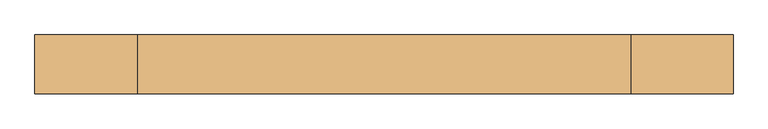
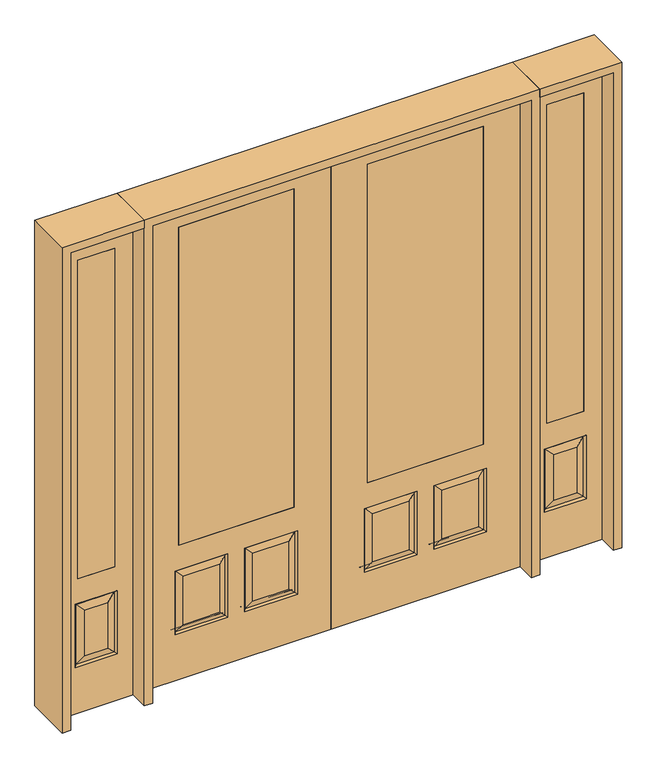
"""IFC4 building model written with IfcOpenShell, lengths in millimetres: door geometry."""

import ifcopenshell
import ifcopenshell.guid

model = None  # the IFC model being written
_history = None  # IfcOwnerHistory: only IFC2X3 demands one
_inside = {}  # id of a spatial element -> (the spatial element, [elements in it])
_under = {}  # id of a project, library or spatial element -> (it, [spatial elements below it])
_declared = {}  # id of a project -> (the project, [libraries it declares])
_typed = {}  # id of a type object -> (the type object, [elements of that type])
_made_of = {}  # id of a material, layer set ... -> (it, [elements and type objects made of it])


def new_model(schema):
    """Start an empty IFC model of exactly this schema.

    Asked for "IFC4X3", IfcOpenShell would pick the latest addendum, in which some entities
    have other attributes; the version numbers below select the first issue.
    IFC2X3 requires an IfcOwnerHistory on every rooted entity: one is made here for all.
    """
    global model, _history
    if schema == "IFC4X3":
        model = ifcopenshell.file(schema_version=(4, 3, 0, 0))
    else:
        model = ifcopenshell.file(schema=schema)
    _inside.clear()
    _under.clear()
    _declared.clear()
    _typed.clear()
    _made_of.clear()
    _history = None
    if model.schema == "IFC2X3":
        org = make("IfcOrganization", Name="unknown")
        user = make(
            "IfcPersonAndOrganization",
            ThePerson=make("IfcPerson", FamilyName="unknown"),
            TheOrganization=org,
        )
        app = make(
            "IfcApplication",
            ApplicationDeveloper=org,
            Version="unknown",
            ApplicationFullName="unknown",
            ApplicationIdentifier="unknown",
        )
        _history = make(
            "IfcOwnerHistory",
            OwningUser=user,
            OwningApplication=app,
            ChangeAction="ADDED",
            CreationDate=0,
        )
    return model


def make(cls, **values):
    """One entity of the class cls with the attributes given. An attribute that is None is left unset."""
    return model.create_entity(
        cls, **{name: value for name, value in values.items() if value is not None}
    )


def rooted(cls, **values):
    """An entity with a GlobalId (a new one), such as an element, a storey or a relation."""
    return make(cls, GlobalId=ifcopenshell.guid.new(), OwnerHistory=_history, **values)


def si_unit(unit_type, name, prefix=None):
    """IfcSIUnit, for example si_unit("LENGTHUNIT", "METRE", prefix="MILLI")."""
    return make("IfcSIUnit", UnitType=unit_type, Prefix=prefix, Name=name)


def assignment(units):
    """IfcUnitAssignment: the units of a project."""
    return None if units is None else make("IfcUnitAssignment", Units=units)


def point(xyz):
    """IfcCartesianPoint."""
    return None if xyz is None else make("IfcCartesianPoint", Coordinates=xyz)


def direction(xyz):
    """IfcDirection."""
    return None if xyz is None else make("IfcDirection", DirectionRatios=xyz)


def frame(location, z_axis=None, x_axis=None):
    """IfcAxis2Placement3D, a coordinate frame: its origin and axes. An axis left out is left unset."""
    return make(
        "IfcAxis2Placement3D",
        Location=point(location),
        Axis=direction(z_axis),
        RefDirection=direction(x_axis),
    )


def origin():
    """The frame at (0, 0, 0) with its axes left unset."""
    return frame((0.0, 0.0, 0.0))


def place(relative_to, where):
    """IfcLocalPlacement: puts the frame where relative to a parent placement (None: the world)."""
    return make(
        "IfcLocalPlacement", PlacementRelTo=relative_to, RelativePlacement=where
    )


def context(
    kind, dimensions, precision=None, world=None, true_north=None, identifier=None
):
    """IfcGeometricRepresentationContext, for example the 3D "Model" context."""
    return make(
        "IfcGeometricRepresentationContext",
        ContextIdentifier=identifier,
        ContextType=kind,
        CoordinateSpaceDimension=dimensions,
        Precision=precision,
        WorldCoordinateSystem=world,
        TrueNorth=true_north,
    )


def project(units=None, contexts=None):
    """IfcProject with its units and contexts."""
    return rooted(
        "IfcProject",
        Name="project",
        RepresentationContexts=contexts,
        UnitsInContext=assignment(units),
    )


def spatial(cls, under=None, at=None, **own):
    """A site, building, storey or space (cls), placed at a placement, below another one or the project."""
    s = rooted(cls, ObjectPlacement=at, **own)
    if under is not None:
        _under.setdefault(under.id(), (under, []))[1].append(s)
    return s


def polyline(points):
    """IfcPolyline through the points."""
    return make("IfcPolyline", Points=[point(p) for p in points])


def outline(outer, holes=None, kind="AREA"):
    """IfcArbitraryClosedProfileDef: a profile drawn as a closed curve; with holes, ...WithVoids."""
    if holes is None:
        return make("IfcArbitraryClosedProfileDef", ProfileType=kind, OuterCurve=outer)
    return make(
        "IfcArbitraryProfileDefWithVoids",
        ProfileType=kind,
        OuterCurve=outer,
        InnerCurves=holes,
    )


def extrude(swept, where, along, depth):
    """IfcExtrudedAreaSolid: the profile swept, set in the frame where, extruded along a direction by depth."""
    return make(
        "IfcExtrudedAreaSolid",
        SweptArea=swept,
        Position=where,
        ExtrudedDirection=direction(along),
        Depth=depth,
    )


def faces_of(points, faces, orient=None, outer=None):
    """IfcFace entities. A face is a list of loops; a loop is a list of indices into points, from 0.

    orient and outer hold one flag for each loop. By default every Orientation is true, the
    first loop of a face is its IfcFaceOuterBound and the others are IfcFaceBound.
    """
    made = []
    for i, loops in enumerate(faces):
        bounds = []
        for j, loop in enumerate(loops):
            is_outer = j == 0 if outer is None else outer[i][j]
            bounds.append(
                make(
                    "IfcFaceOuterBound" if is_outer else "IfcFaceBound",
                    Bound=make("IfcPolyLoop", Polygon=[points[k] for k in loop]),
                    Orientation=True if orient is None else orient[i][j],
                )
            )
        made.append(make("IfcFace", Bounds=bounds))
    return made


def faceted_brep(points, faces, orient=None, outer=None, voids=None):
    """IfcFacetedBrep: a solid bounded by flat faces; with voids (closed shells), ...WithVoids."""
    shared = [point(p) for p in points]
    hull = make("IfcClosedShell", CfsFaces=faces_of(shared, faces, orient, outer))
    if voids is None:
        return make("IfcFacetedBrep", Outer=hull)
    return make(
        "IfcFacetedBrepWithVoids",
        Outer=hull,
        Voids=[
            make(cls, CfsFaces=faces_of(shared, fs, o, b)) for cls, fs, o, b in voids
        ],
    )


def shape(context_of_items, identifier, shape_type, items):
    """IfcShapeRepresentation: the items that make up one representation, for example the "Body"."""
    return make(
        "IfcShapeRepresentation",
        ContextOfItems=context_of_items,
        RepresentationIdentifier=identifier,
        RepresentationType=shape_type,
        Items=items,
    )


def source(mapping_origin, context_of_items, identifier, shape_type, items):
    """IfcRepresentationMap: a shape defined once, which mapped items show again and again."""
    return make(
        "IfcRepresentationMap",
        MappingOrigin=mapping_origin,
        MappedRepresentation=shape(context_of_items, identifier, shape_type, items),
    )


def transform(
    local_origin,
    x_axis=None,
    y_axis=None,
    z_axis=None,
    scale=None,
    scale2=None,
    scale3=None,
    uniform=True,
):
    """IfcCartesianTransformationOperator3D, or its non-uniform kind. x_axis, y_axis, z_axis: its Axis1, 2, 3."""
    if uniform:
        return make(
            "IfcCartesianTransformationOperator3D",
            Axis1=direction(x_axis),
            Axis2=direction(y_axis),
            LocalOrigin=point(local_origin),
            Scale=scale,
            Axis3=direction(z_axis),
        )
    return make(
        "IfcCartesianTransformationOperator3DnonUniform",
        Axis1=direction(x_axis),
        Axis2=direction(y_axis),
        LocalOrigin=point(local_origin),
        Scale=scale,
        Axis3=direction(z_axis),
        Scale2=scale2,
        Scale3=scale3,
    )


def mapped(mapping_source, mapping_target):
    """IfcMappedItem: shows the shape of a source again, moved by a transform."""
    return make(
        "IfcMappedItem", MappingSource=mapping_source, MappingTarget=mapping_target
    )


def made_of(thing, what):
    """Note that an element or type object is made of a material, layer set ...; save() writes the relation."""
    if what is not None:
        _made_of.setdefault(what.id(), (what, []))[1].append(thing)
    return thing


def element(
    cls,
    number,
    at=None,
    inside=None,
    cuts=None,
    type_object=None,
    material=None,
    context=None,
    identifier="Body",
    shape_type=None,
    held_by="IfcProductDefinitionShape",
    body=None,
    shapes=None,
    **own,
):
    """One element of the class cls, such as IfcWall. Its Tag is "e" and its number.

    at: its placement. inside: the storey or other place that contains it. cuts: it is an
    opening in that element (IfcRelVoidsElement). A single representation is given by context,
    identifier, shape_type and body (its items); several are given by shapes. held_by: the class
    of the entity that holds the representations. save() writes the other relations.
    """
    e = rooted(cls, Tag="e%d" % number, ObjectPlacement=at, **own)
    if body is not None:
        shapes = [shape(context, identifier, shape_type, body)]
    if shapes is not None:
        e.Representation = make(held_by, Representations=shapes)
    if inside is not None:
        _inside.setdefault(inside.id(), (inside, []))[1].append(e)
    if cuts is not None:
        rooted(
            "IfcRelVoidsElement", RelatingBuildingElement=cuts, RelatedOpeningElement=e
        )
    if type_object is not None:
        _typed.setdefault(type_object.id(), (type_object, []))[1].append(e)
    return made_of(e, material)


def aggregate(whole, parts):
    """IfcRelAggregates: a whole, such as a stair, and the parts it consists of."""
    return rooted("IfcRelAggregates", RelatingObject=whole, RelatedObjects=parts)


def save(model, path):
    """Write the relations noted so far, then the file.

    IfcRelAggregates (storeys below a building ...), IfcRelContainedInSpatialStructure (elements
    in a storey), IfcRelDefinesByType, IfcRelAssociatesMaterial and IfcRelDeclares: one each for
    every whole, place, type object, material and project.
    """
    for whole, parts in _under.values():
        aggregate(whole, parts)
    for where, things in _inside.values():
        rooted(
            "IfcRelContainedInSpatialStructure",
            RelatedElements=things,
            RelatingStructure=where,
        )
    for kind, things in _typed.values():
        rooted("IfcRelDefinesByType", RelatedObjects=things, RelatingType=kind)
    for what, things in _made_of.values():
        rooted("IfcRelAssociatesMaterial", RelatedObjects=things, RelatingMaterial=what)
    for by, libraries in _declared.values():
        rooted("IfcRelDeclares", RelatingContext=by, RelatedDefinitions=libraries)
    model.write(path)


def door_b014476f(model_context):
    return source(origin(), model_context, "Body", "SolidModel", [
        extrude(outline(polyline([(1222.375, 20.6375), (1222.375, -20.6375), (1044.575, -20.6375), (1044.575, 20.6375), (1222.375, 20.6375)])), frame((0.0, 0.0, 685.8), z_axis=(0.0, 0.0, 1.0), x_axis=(1.0, 0.0, 0.0)), (0.0, 0.0, 1.0), 1625.6),
        faceted_brep([(955.675, -20.6375, 0.0), (1311.275, -20.6375, 0.0), (1311.275, -20.6375, 2438.4), (955.675, -20.6375, 2438.4), (1044.575, -20.6375, 685.8), (1044.575, -20.6375, 2311.4), (1222.375, -20.6375, 2311.4), (1222.375, -20.6375, 685.8), (1031.875, -20.6375, 234.95), (1031.875, -20.6375, 558.8), (1235.075, -20.6375, 558.8), (1235.075, -20.6375, 234.95), (1189.0375, -20.6375, 280.9875), (1189.0375, -20.6375, 512.7625), (1077.9125, -20.6375, 512.7625), (1077.9125, -20.6375, 280.9875), (1222.375, 20.6375, 2311.4), (1222.375, 20.6375, 685.8), (955.675, 20.6375, 0.0), (955.675, 20.6375, 2438.4), (1311.275, 20.6375, 2438.4), (1311.275, 20.6375, 0.0), (1235.075, 20.6375, 234.95), (1235.075, 20.6375, 558.8), (1031.875, 20.6375, 558.8), (1031.875, 20.6375, 234.95), (1044.575, 20.6375, 2311.4), (1044.575, 20.6375, 685.8), (1077.9125, 20.6375, 280.9875), (1077.9125, 20.6375, 512.7625), (1189.0375, 20.6375, 512.7625), (1189.0375, 20.6375, 280.9875), (1040.8552561, -11.6572439, 549.8197439), (1226.0947439, -11.6572439, 549.8197439), (1226.0947439, 11.6572439, 243.9302561), (1040.8552561, 11.6572439, 243.9302561), (1040.8552561, 11.6572439, 549.8197439), (1226.0947439, 11.6572439, 549.8197439), (1226.0947439, -11.6572439, 243.9302561), (1040.8552561, -11.6572439, 243.9302561)], [[[0, 1, 2, 3], [4, 5, 6, 7], [8, 9, 10, 11]], [[12, 13, 14, 15]], [[7, 6, 16, 17]], [[18, 19, 20, 21], [22, 23, 24, 25], [17, 16, 26, 27]], [[28, 29, 30, 31]], [[32, 33, 10, 9]], [[21, 1, 0, 18]], [[20, 2, 1, 21]], [[18, 0, 3, 19]], [[34, 22, 25, 35]], [[25, 24, 36, 35]], [[24, 23, 37, 36]], [[34, 37, 23, 22]], [[35, 28, 31, 34]], [[31, 30, 37, 34]], [[36, 37, 30, 29]], [[35, 36, 29, 28]], [[17, 27, 4, 7]], [[27, 26, 5, 4]], [[8, 11, 38, 39]], [[11, 10, 33, 38]], [[39, 32, 9, 8]], [[38, 12, 15, 39]], [[15, 14, 32, 39]], [[14, 13, 33, 32]], [[38, 33, 13, 12]], [[19, 3, 2, 20]], [[6, 5, 26, 16]]]),
        extrude(outline(polyline([(-1044.575, 20.6375), (-1044.575, -20.6375), (-1222.375, -20.6375), (-1222.375, 20.6375), (-1044.575, 20.6375)])), frame((0.0, 0.0, 685.8), z_axis=(0.0, 0.0, 1.0), x_axis=(1.0, 0.0, 0.0)), (0.0, 0.0, 1.0), 1625.6),
        faceted_brep([(-1311.275, -20.6375, 0.0), (-955.675, -20.6375, 0.0), (-955.675, -20.6375, 2438.4), (-1311.275, -20.6375, 2438.4), (-1222.375, -20.6375, 685.8), (-1222.375, -20.6375, 2311.4), (-1044.575, -20.6375, 2311.4), (-1044.575, -20.6375, 685.8), (-1235.075, -20.6375, 234.95), (-1235.075, -20.6375, 558.8), (-1031.875, -20.6375, 558.8), (-1031.875, -20.6375, 234.95), (-1077.9125, -20.6375, 280.9875), (-1077.9125, -20.6375, 512.7625), (-1189.0375, -20.6375, 512.7625), (-1189.0375, -20.6375, 280.9875), (-1044.575, 20.6375, 2311.4), (-1044.575, 20.6375, 685.8), (-1311.275, 20.6375, 0.0), (-1311.275, 20.6375, 2438.4), (-955.675, 20.6375, 2438.4), (-955.675, 20.6375, 0.0), (-1031.875, 20.6375, 234.95), (-1031.875, 20.6375, 558.8), (-1235.075, 20.6375, 558.8), (-1235.075, 20.6375, 234.95), (-1222.375, 20.6375, 2311.4), (-1222.375, 20.6375, 685.8), (-1189.0375, 20.6375, 280.9875), (-1189.0375, 20.6375, 512.7625), (-1077.9125, 20.6375, 512.7625), (-1077.9125, 20.6375, 280.9875), (-1226.0947439, -11.6572439, 549.8197439), (-1040.8552561, -11.6572439, 549.8197439), (-1040.8552561, 11.6572439, 243.9302561), (-1226.0947439, 11.6572439, 243.9302561), (-1226.0947439, 11.6572439, 549.8197439), (-1040.8552561, 11.6572439, 549.8197439), (-1040.8552561, -11.6572439, 243.9302561), (-1226.0947439, -11.6572439, 243.9302561)], [[[0, 1, 2, 3], [4, 5, 6, 7], [8, 9, 10, 11]], [[12, 13, 14, 15]], [[7, 6, 16, 17]], [[18, 19, 20, 21], [22, 23, 24, 25], [17, 16, 26, 27]], [[28, 29, 30, 31]], [[32, 33, 10, 9]], [[21, 1, 0, 18]], [[20, 2, 1, 21]], [[18, 0, 3, 19]], [[34, 22, 25, 35]], [[25, 24, 36, 35]], [[24, 23, 37, 36]], [[34, 37, 23, 22]], [[35, 28, 31, 34]], [[31, 30, 37, 34]], [[36, 37, 30, 29]], [[35, 36, 29, 28]], [[17, 27, 4, 7]], [[27, 26, 5, 4]], [[8, 11, 38, 39]], [[11, 10, 33, 38]], [[39, 32, 9, 8]], [[38, 12, 15, 39]], [[15, 14, 32, 39]], [[14, 13, 33, 32]], [[38, 33, 13, 12]], [[19, 3, 2, 20]], [[6, 5, 26, 16]]]),
        faceted_brep([(177.8, -20.6375, 685.8), (177.8, 20.6375, 685.8), (177.8, 20.6375, 2311.4), (177.8, -20.6375, 2311.4), (736.6, -20.6375, 685.8), (736.6, 20.6375, 685.8), (537.3727627, -20.6375, 273.8477627), (713.5772373, -20.6375, 273.8477627), (713.5772373, -20.6375, 520.4102373), (537.3727627, -20.6375, 520.4102373), (200.8227627, -20.6375, 273.8477627), (377.0272373, -20.6375, 273.8477627), (377.0272373, -20.6375, 520.4102373), (200.8227627, -20.6375, 520.4102373), (914.4, -20.6375, 2438.4), (0.0, -20.6375, 2438.4), (0.0, -20.6375, 0.0), (914.4, -20.6375, 0.0), (736.6, -20.6375, 2311.4), (752.475, -20.6375, 234.95), (498.475, -20.6375, 234.95), (498.475, -20.6375, 559.308), (752.475, -20.6375, 559.308), (415.925, -20.6375, 234.95), (161.925, -20.6375, 234.95), (161.925, -20.6375, 559.308), (415.925, -20.6375, 559.308), (736.6, 20.6375, 2311.4), (377.0272373, 20.6375, 273.8477627), (200.8227627, 20.6375, 273.8477627), (200.8227627, 20.6375, 520.4102373), (377.0272373, 20.6375, 520.4102373), (713.5772373, 20.6375, 273.8477627), (537.3727627, 20.6375, 273.8477627), (537.3727627, 20.6375, 520.4102373), (713.5772373, 20.6375, 520.4102373), (0.0, 20.6375, 2438.4), (914.4, 20.6375, 2438.4), (914.4, 20.6375, 0.0), (0.0, 20.6375, 0.0), (161.925, 20.6375, 234.95), (415.925, 20.6375, 234.95), (415.925, 20.6375, 559.308), (161.925, 20.6375, 559.308), (498.475, 20.6375, 234.95), (752.475, 20.6375, 234.95), (752.475, 20.6375, 559.308), (498.475, 20.6375, 559.308), (745.0714647, -11.4399763, 242.3535353), (505.8785353, -11.4399763, 242.3535353), (505.8785353, -11.4399763, 551.9044647), (745.0714647, -11.4399763, 551.9044647), (408.5214647, -11.4399763, 242.3535353), (169.3285353, -11.4399763, 242.3535353), (169.3285353, -11.4399763, 551.9044647), (408.5214647, -11.4399763, 551.9044647), (169.3285353, 11.4399763, 242.3535353), (408.5214647, 11.4399763, 242.3535353), (408.5214647, 11.4399763, 551.9044647), (169.3285353, 11.4399763, 551.9044647), (505.8785353, 11.4399763, 242.3535353), (745.0714647, 11.4399763, 242.3535353), (745.0714647, 11.4399763, 551.9044647), (505.8785353, 11.4399763, 551.9044647)], [[[0, 1, 2, 3]], [[1, 0, 4, 5]], [[6, 7, 8, 9]], [[10, 11, 12, 13]], [[14, 15, 16, 17], [4, 0, 3, 18], [19, 20, 21, 22], [23, 24, 25, 26]], [[5, 4, 18, 27]], [[28, 29, 30, 31]], [[32, 33, 34, 35]], [[36, 37, 38, 39], [1, 5, 27, 2], [40, 41, 42, 43], [44, 45, 46, 47]], [[39, 38, 17, 16]], [[37, 14, 17, 38]], [[15, 36, 39, 16]], [[19, 48, 49, 20]], [[20, 49, 50, 21]], [[51, 22, 21, 50]], [[48, 19, 22, 51]], [[49, 48, 7, 6]], [[7, 48, 51, 8]], [[8, 51, 50, 9]], [[49, 6, 9, 50]], [[52, 53, 24, 23]], [[24, 53, 54, 25]], [[25, 54, 55, 26]], [[52, 23, 26, 55]], [[53, 52, 11, 10]], [[11, 52, 55, 12]], [[54, 13, 12, 55]], [[53, 10, 13, 54]], [[40, 56, 57, 41]], [[41, 57, 58, 42]], [[59, 43, 42, 58]], [[56, 40, 43, 59]], [[57, 56, 29, 28]], [[29, 56, 59, 30]], [[30, 59, 58, 31]], [[57, 28, 31, 58]], [[60, 61, 45, 44]], [[45, 61, 62, 46]], [[46, 62, 63, 47]], [[60, 44, 47, 63]], [[61, 60, 33, 32]], [[33, 60, 63, 34]], [[62, 35, 34, 63]], [[61, 32, 35, 62]], [[3, 2, 27, 18]], [[36, 15, 14, 37]]]),
        extrude(outline(polyline([(177.8, 20.6375), (736.6, 20.6375), (736.6, -20.6375), (177.8, -20.6375), (177.8, 20.6375)])), frame((0.0, 0.0, 685.8), z_axis=(0.0, 0.0, 1.0), x_axis=(1.0, 0.0, 0.0)), (0.0, 0.0, 1.0), 1625.6),
        faceted_brep([(-177.8, -20.6375, 685.8), (-177.8, -20.6375, 2311.4), (-177.8, 20.6375, 2311.4), (-177.8, 20.6375, 685.8), (-736.6, 20.6375, 685.8), (-736.6, -20.6375, 685.8), (-537.3727627, -20.6375, 273.8477627), (-537.3727627, -20.6375, 520.4102373), (-713.5772373, -20.6375, 520.4102373), (-713.5772373, -20.6375, 273.8477627), (-200.8227627, -20.6375, 273.8477627), (-200.8227627, -20.6375, 520.4102373), (-377.0272373, -20.6375, 520.4102373), (-377.0272373, -20.6375, 273.8477627), (-914.4, -20.6375, 2438.4), (-914.4, -20.6375, 0.0), (0.0, -20.6375, 0.0), (0.0, -20.6375, 2438.4), (-736.6, -20.6375, 2311.4), (-752.475, -20.6375, 234.95), (-752.475, -20.6375, 559.308), (-498.475, -20.6375, 559.308), (-498.475, -20.6375, 234.95), (-415.925, -20.6375, 234.95), (-415.925, -20.6375, 559.308), (-161.925, -20.6375, 559.308), (-161.925, -20.6375, 234.95), (-736.6, 20.6375, 2311.4), (-377.0272373, 20.6375, 273.8477627), (-377.0272373, 20.6375, 520.4102373), (-200.8227627, 20.6375, 520.4102373), (-200.8227627, 20.6375, 273.8477627), (-713.5772373, 20.6375, 273.8477627), (-713.5772373, 20.6375, 520.4102373), (-537.3727627, 20.6375, 520.4102373), (-537.3727627, 20.6375, 273.8477627), (0.0, 20.6375, 2438.4), (0.0, 20.6375, 0.0), (-914.4, 20.6375, 0.0), (-914.4, 20.6375, 2438.4), (-161.925, 20.6375, 234.95), (-161.925, 20.6375, 559.308), (-415.925, 20.6375, 559.308), (-415.925, 20.6375, 234.95), (-498.475, 20.6375, 234.95), (-498.475, 20.6375, 559.308), (-752.475, 20.6375, 559.308), (-752.475, 20.6375, 234.95), (-505.8785353, -11.4399763, 242.3535353), (-745.0714647, -11.4399763, 242.3535353), (-505.8785353, -11.4399763, 551.9044647), (-745.0714647, -11.4399763, 551.9044647), (-408.5214647, -11.4399763, 242.3535353), (-169.3285353, -11.4399763, 242.3535353), (-169.3285353, -11.4399763, 551.9044647), (-408.5214647, -11.4399763, 551.9044647), (-408.5214647, 11.4399763, 242.3535353), (-169.3285353, 11.4399763, 242.3535353), (-408.5214647, 11.4399763, 551.9044647), (-169.3285353, 11.4399763, 551.9044647), (-505.8785353, 11.4399763, 242.3535353), (-745.0714647, 11.4399763, 242.3535353), (-745.0714647, 11.4399763, 551.9044647), (-505.8785353, 11.4399763, 551.9044647)], [[[0, 1, 2, 3]], [[3, 4, 5, 0]], [[6, 7, 8, 9]], [[10, 11, 12, 13]], [[14, 15, 16, 17], [5, 18, 1, 0], [19, 20, 21, 22], [23, 24, 25, 26]], [[4, 27, 18, 5]], [[28, 29, 30, 31]], [[32, 33, 34, 35]], [[36, 37, 38, 39], [3, 2, 27, 4], [40, 41, 42, 43], [44, 45, 46, 47]], [[37, 16, 15, 38]], [[39, 38, 15, 14]], [[17, 16, 37, 36]], [[19, 22, 48, 49]], [[22, 21, 50, 48]], [[51, 50, 21, 20]], [[49, 51, 20, 19]], [[48, 6, 9, 49]], [[9, 8, 51, 49]], [[8, 7, 50, 51]], [[48, 50, 7, 6]], [[52, 23, 26, 53]], [[26, 25, 54, 53]], [[25, 24, 55, 54]], [[52, 55, 24, 23]], [[53, 10, 13, 52]], [[13, 12, 55, 52]], [[54, 55, 12, 11]], [[53, 54, 11, 10]], [[40, 43, 56, 57]], [[43, 42, 58, 56]], [[59, 58, 42, 41]], [[57, 59, 41, 40]], [[56, 28, 31, 57]], [[31, 30, 59, 57]], [[30, 29, 58, 59]], [[56, 58, 29, 28]], [[60, 44, 47, 61]], [[47, 46, 62, 61]], [[46, 45, 63, 62]], [[60, 63, 45, 44]], [[61, 32, 35, 60]], [[35, 34, 63, 60]], [[62, 63, 34, 33]], [[61, 62, 33, 32]], [[1, 18, 27, 2]], [[36, 39, 14, 17]]]),
        extrude(outline(polyline([(-177.8, 20.6375), (-177.8, -20.6375), (-736.6, -20.6375), (-736.6, 20.6375), (-177.8, 20.6375)])), frame((0.0, 0.0, 685.8), z_axis=(0.0, 0.0, 1.0), x_axis=(1.0, 0.0, 0.0)), (0.0, 0.0, 1.0), 1625.6),
        extrude(outline(polyline([(2479.675, -955.675), (2479.675, -1352.55), (0.0, -1352.55), (0.0, -1311.275), (2438.4, -1311.275), (2438.4, -955.675), (2479.675, -955.675)])), frame((0.0, -114.3, 0.0), z_axis=(0.0, 1.0, 0.0), x_axis=(0.0, 0.0, 1.0)), (0.0, 0.0, 1.0), 228.6),
        extrude(outline(polyline([(2479.675, -955.675), (0.0, -955.675), (0.0, -914.4), (2438.4, -914.4), (2438.4, 914.4), (0.0, 914.4), (0.0, 955.675), (2479.675, 955.675), (2479.675, -955.675)])), frame((0.0, -114.3, 0.0), z_axis=(0.0, 1.0, 0.0), x_axis=(0.0, 0.0, 1.0)), (0.0, 0.0, 1.0), 228.6),
        extrude(outline(polyline([(0.0, 1352.55), (2479.675, 1352.55), (2479.675, 955.675), (2438.4, 955.675), (2438.4, 1311.275), (0.0, 1311.275), (0.0, 1352.55)])), frame((0.0, -114.3, 0.0), z_axis=(0.0, 1.0, 0.0), x_axis=(0.0, 0.0, 1.0)), (0.0, 0.0, 1.0), 228.6),
    ])


if __name__ == "__main__":
    model = new_model("IFC4")
    model_context = context("Model", 3, world=origin())
    ifc_project = project(units=[si_unit("LENGTHUNIT", "METRE", prefix="MILLI")], contexts=[model_context])
    site = spatial("IfcSite", under=ifc_project)
    building = spatial("IfcBuilding", under=site)
    placement = place(None, origin())
    door_shape = door_b014476f(model_context)
    element("IfcDoor", 1, at=placement, inside=building, context=model_context, shape_type="MappedRepresentation", body=[
        mapped(door_shape, transform((0.0, 0.0, 0.0), x_axis=(1.0, 0.0, 0.0), y_axis=(0.0, 1.0, 0.0), z_axis=(0.0, 0.0, 1.0))),
    ])
    save(model, "model.ifc")
